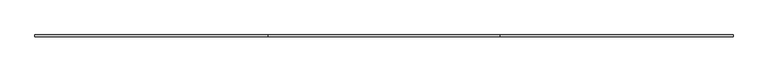
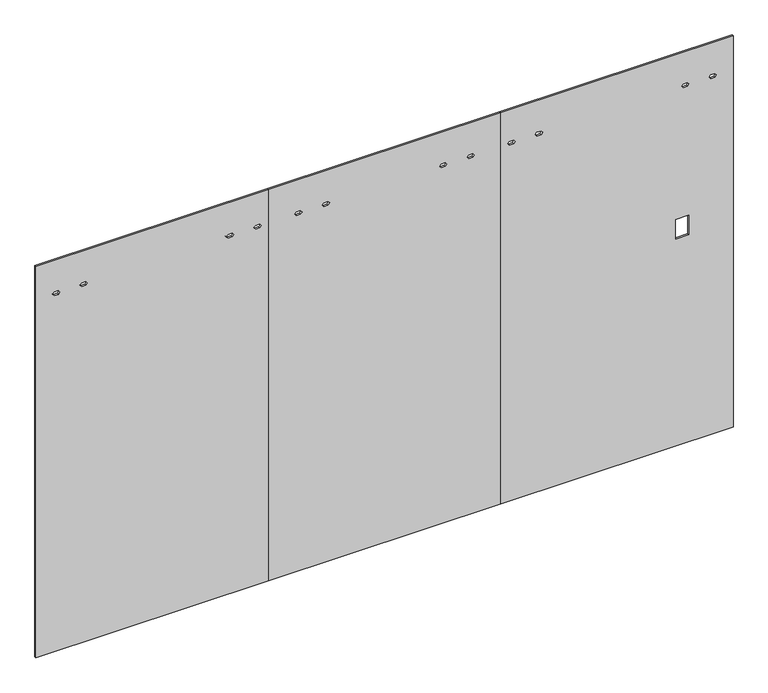
"""IFC4 building model written with IfcOpenShell, lengths in millimetres: furniture geometry."""

from ifc_helpers import new_model, si_unit, frame, origin, place, context, project, spatial, polyline, outline, extrude, source, transform, mapped, element, save


def furniture_fc22a368(model_context):
    return source(origin(), model_context, "Body", "SweptSolid", [
        extrude(outline(polyline([(12.7, 0.0), (12.7, 1220.47), (2186.3010468, 1220.47), (2186.3010468, 0.0), (12.7, 0.0)]), holes=[polyline([(2001.1032968, 1000.720017), (2011.0981968, 1008.771817), (2011.0981968, 1030.768217), (2001.1032968, 1038.820017), (1991.1083968, 1030.768217), (1991.1083968, 1008.771817), (2001.1032968, 1000.720017)]), polyline([(2001.1032968, 1145.1400171), (2011.0981968, 1153.1918171), (2011.0981968, 1175.1882171), (2001.1032968, 1183.2400171), (1991.1083968, 1175.1882171), (1991.1083968, 1153.1918171), (2001.1032968, 1145.1400171)]), polyline([(2001.1032968, 88.0299829), (2011.0981968, 96.0817829), (2011.0981968, 118.0781829), (2001.1032968, 126.1299829), (1991.1083968, 118.0781829), (1991.1083968, 96.0817829), (2001.1032968, 88.0299829)]), polyline([(2001.1032968, 232.449983), (2011.0981968, 240.501783), (2011.0981968, 262.498183), (2001.1032968, 270.549983), (1991.1083968, 262.498183), (1991.1083968, 240.501783), (2001.1032968, 232.449983)])]), frame((0.0, -4.7752, 0.0), z_axis=(0.0, 1.0, 0.0), x_axis=(0.0, 0.0, 1.0)), (0.0, 0.0, 1.0), 9.525),
        extrude(outline(polyline([(12.7, 2440.94), (12.7, 3661.41), (2186.3010468, 3661.41), (2186.3010468, 2440.94), (12.7, 2440.94)]), holes=[polyline([(1271.0668, 3361.0689211), (1271.0668, 3428.0489897), (1163.3708, 3428.0489897), (1163.3708, 3361.0689211), (1271.0668, 3361.0689211)]), polyline([(2001.1032968, 2478.124988), (2011.0981968, 2486.176788), (2011.0981968, 2508.173188), (2001.1032968, 2516.224988), (1991.1083968, 2508.173188), (1991.1083968, 2486.176788), (2001.1032968, 2478.124988)]), polyline([(2001.1032968, 2622.5449882), (2011.0981968, 2630.5967882), (2011.0981968, 2652.5931882), (2001.1032968, 2660.6449882), (1991.1083968, 2652.5931882), (1991.1083968, 2630.5967882), (2001.1032968, 2622.5449882)]), polyline([(2001.1032968, 3390.860017), (2011.0981968, 3398.911817), (2011.0981968, 3420.908217), (2001.1032968, 3428.960017), (1991.1083968, 3420.908217), (1991.1083968, 3398.911817), (2001.1032968, 3390.860017)]), polyline([(2001.1032968, 3535.2800171), (2011.0981968, 3543.3318171), (2011.0981968, 3565.3282171), (2001.1032968, 3573.3800171), (1991.1083968, 3565.3282171), (1991.1083968, 3543.3318171), (2001.1032968, 3535.2800171)])]), frame((0.0, -4.7752, 0.0), z_axis=(0.0, 1.0, 0.0), x_axis=(0.0, 0.0, 1.0)), (0.0, 0.0, 1.0), 9.525),
        extrude(outline(polyline([(12.7, 1220.47), (12.7, 2440.94), (2186.3010468, 2440.94), (2186.3010468, 1220.47), (12.7, 1220.47)]), holes=[polyline([(2001.1032968, 1359.254988), (2011.0981968, 1367.306788), (2011.0981968, 1389.303188), (2001.1032968, 1397.354988), (1991.1083968, 1389.303188), (1991.1083968, 1367.306788), (2001.1032968, 1359.254988)]), polyline([(2001.1032968, 1503.6749882), (2011.0981968, 1511.7267882), (2011.0981968, 1533.7231882), (2001.1032968, 1541.7749882), (1991.1083968, 1533.7231882), (1991.1083968, 1511.7267882), (2001.1032968, 1503.6749882)]), polyline([(2001.1032968, 2119.6350118), (2011.0981968, 2127.6868118), (2011.0981968, 2149.6832118), (2001.1032968, 2157.7350118), (1991.1083968, 2149.6832118), (1991.1083968, 2127.6868118), (2001.1032968, 2119.6350118)]), polyline([(2001.1032968, 2264.055012), (2011.0981968, 2272.106812), (2011.0981968, 2294.103212), (2001.1032968, 2302.155012), (1991.1083968, 2294.103212), (1991.1083968, 2272.106812), (2001.1032968, 2264.055012)])]), frame((0.0, -4.7752, 0.0), z_axis=(0.0, 1.0, 0.0), x_axis=(0.0, 0.0, 1.0)), (0.0, 0.0, 1.0), 9.525),
    ])


if __name__ == "__main__":
    model = new_model("IFC4")
    model_context = context("Model", 3, world=origin())
    ifc_project = project(units=[si_unit("LENGTHUNIT", "METRE", prefix="MILLI")], contexts=[model_context])
    site = spatial("IfcSite", under=ifc_project)
    building = spatial("IfcBuilding", under=site)
    placement = place(None, origin())
    furniture_shape = furniture_fc22a368(model_context)
    element("IfcFurniture", 1, at=placement, inside=building, context=model_context, shape_type="MappedRepresentation", body=[
        mapped(furniture_shape, transform((0.0, 0.0, 0.0), x_axis=(1.0, 0.0, 0.0), y_axis=(0.0, 1.0, 0.0), z_axis=(0.0, 0.0, 1.0))),
    ])
    save(model, "model.ifc")
